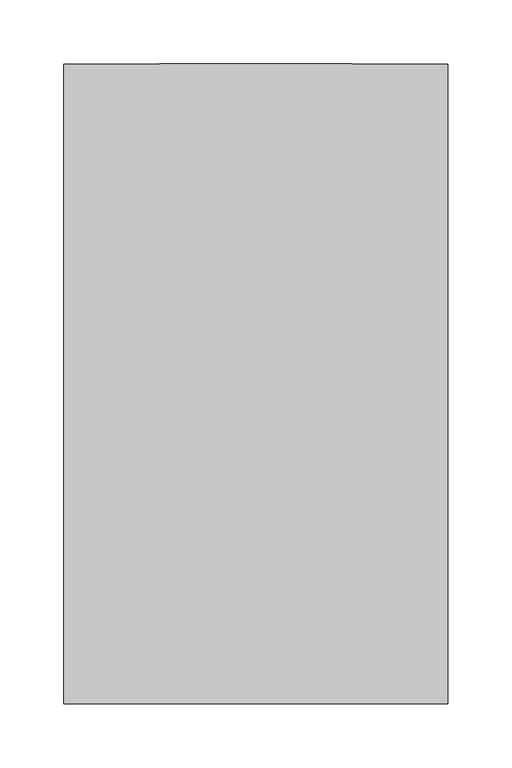
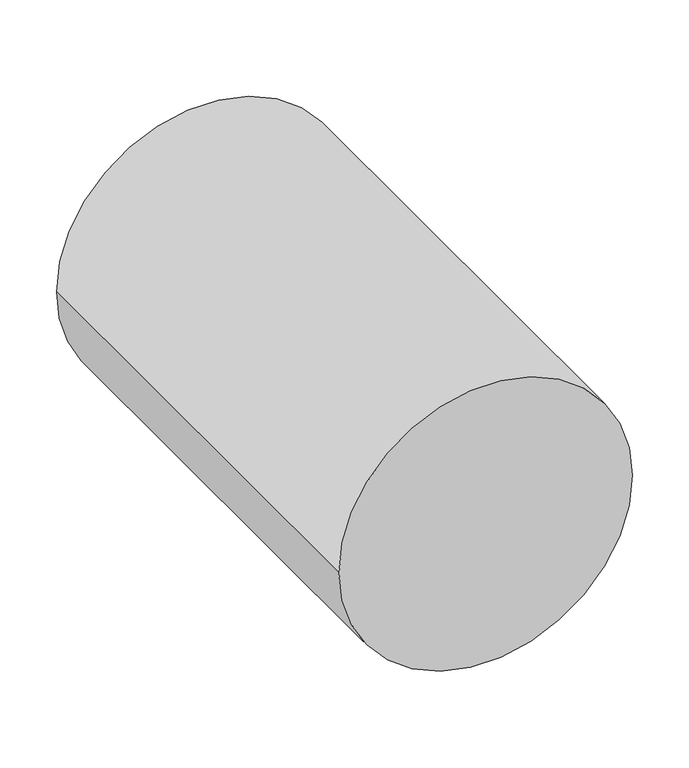
"""IFC4 building model written with IfcOpenShell, lengths in millimetres: proxy geometry."""

from ifc_helpers import new_model, si_unit, point, frame, origin, origin_2d, place, context, project, spatial, circle_curve, trimmed, segment, composite_curve, outline, extrude, source, transform, mapped, element, save


def communication_devices_6d4a5e2f(model_context):
    return source(origin(), model_context, "Body", "SweptSolid", [
        extrude(outline(composite_curve([segment(trimmed(circle_curve(origin_2d(), 150.0), [point((0.0, -150.0))], [point((0.0, 150.0))], False, "CARTESIAN"), True, "CONTINUOUS"), segment(trimmed(circle_curve(origin_2d(), 150.0), [point((0.0, 150.0))], [point((0.0, -150.0))], False, "CARTESIAN"), True, "CONTINUOUS")], self_intersect=False)), frame((0.0, -250.0, 0.0), z_axis=(0.0, 1.0, 0.0), x_axis=(0.0, 0.0, 1.0)), (0.0, 0.0, 1.0), 500.0),
    ])


if __name__ == "__main__":
    model = new_model("IFC4")
    model_context = context("Model", 3, world=origin())
    ifc_project = project(units=[si_unit("LENGTHUNIT", "METRE", prefix="MILLI")], contexts=[model_context])
    site = spatial("IfcSite", under=ifc_project)
    building = spatial("IfcBuilding", under=site)
    placement = place(None, origin())
    communication_devices_shape = communication_devices_6d4a5e2f(model_context)
    element("IfcBuildingElementProxy", 1, Name="Communication Devices", at=placement, inside=building, context=model_context, shape_type="MappedRepresentation", body=[
        mapped(communication_devices_shape, transform((0.0, 0.0, 0.0), x_axis=(1.0, 0.0, 0.0), y_axis=(0.0, 1.0, 0.0), z_axis=(0.0, 0.0, 1.0))),
    ])
    save(model, "model.ifc")
